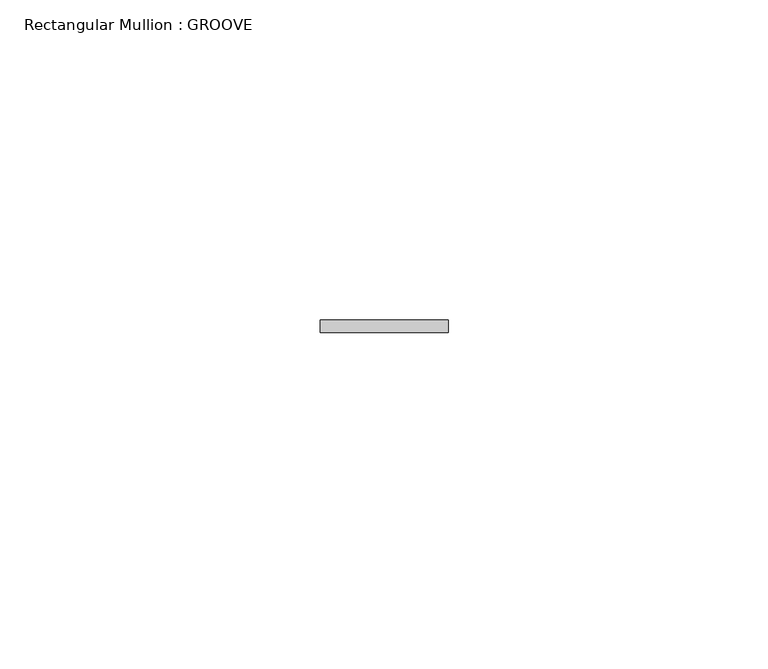
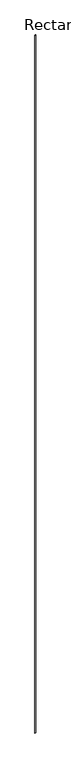
"""IFC4 building model written with IfcOpenShell, lengths in millimetres: member geometry, Rectangular Mullion : GROOVE."""

from ifc_helpers import new_model, si_unit, frame, origin, place, context, project, spatial, polyline, outline, extrude, source, transform, mapped, element, save


def rectangular_mullion_groove_19a8c52b(model_context):
    return source(origin(), model_context, "Body", "SweptSolid", [
        extrude(outline(polyline([(10.0, 51.0), (10.0, 49.0), (-10.0, 49.0), (-10.0, 51.0), (10.0, 51.0)])), frame((0.0, 0.0, -14684.9591716), z_axis=(0.0, 0.0, 1.0), x_axis=(1.0, 0.0, 0.0)), (0.0, 0.0, 1.0), 14684.9591716),
    ])


if __name__ == "__main__":
    model = new_model("IFC4")
    model_context = context("Model", 3, world=origin())
    ifc_project = project(units=[si_unit("LENGTHUNIT", "METRE", prefix="MILLI")], contexts=[model_context])
    site = spatial("IfcSite", under=ifc_project)
    building = spatial("IfcBuilding", under=site)
    placement = place(None, origin())
    rectangular_mullion_groove_shape = rectangular_mullion_groove_19a8c52b(model_context)
    element("IfcMember", 1, ObjectType="Rectangular Mullion : GROOVE", at=placement, inside=building, context=model_context, shape_type="MappedRepresentation", body=[
        mapped(rectangular_mullion_groove_shape, transform((0.0, 0.0, 0.0), x_axis=(1.0, 0.0, 0.0), y_axis=(0.0, 1.0, 0.0), z_axis=(0.0, 0.0, 1.0))),
    ])
    save(model, "model.ifc")
